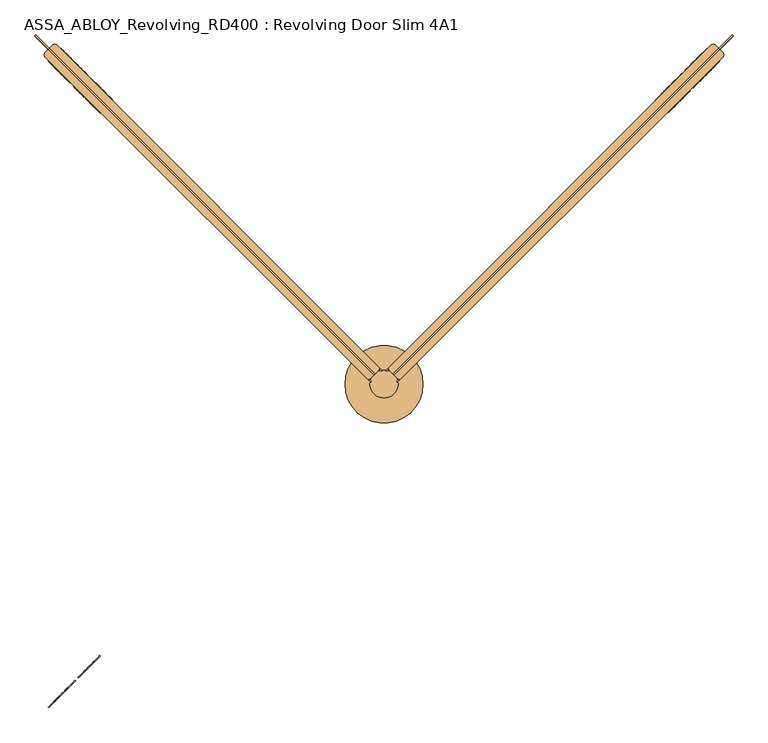
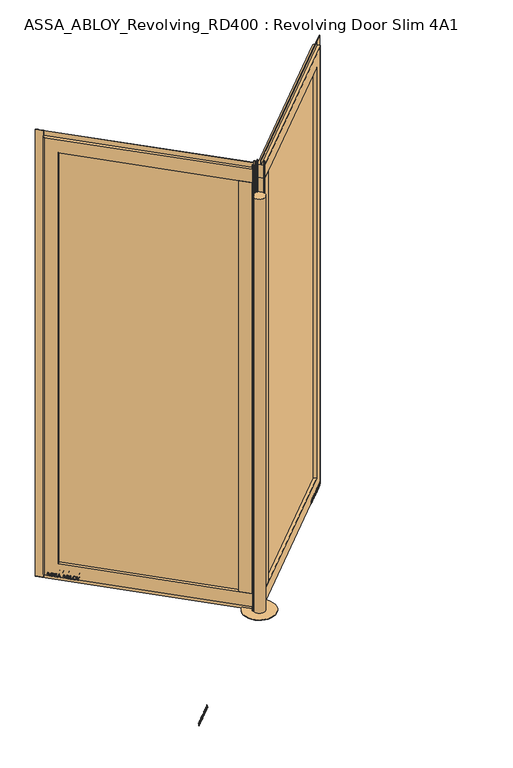
"""IFC4 building model written with IfcOpenShell, lengths in millimetres: door geometry, ASSA_ABLOY_Revolving_RD400 : Revolving Door Slim 4A1."""

from ifc_helpers import new_model, si_unit, point, frame, origin, origin_with_axes, origin_2d, place, context, project, spatial, polyline, circle_curve, trimmed, segment, composite_curve, outline, extrude, source, transform, mapped, element, save
from ifc_brep_helpers import plane_surface, cylinder_surface, advanced_brep


def assa_abloy_revolving_rd400_revolving_door_slim_4a1_cac119a0(model_context):
    return source(origin(), model_context, "Body", "SolidModel", [
        extrude(outline(polyline([(21.1919362, 0.0), (20.214336, -2.6529929), (14.2348715, -2.5853724), (11.2716326, -10.6269535), (15.8652681, -14.4554102), (14.8894584, -17.1035442), (-1.2354289, -3.3526834), (0.0, 0.0), (21.1919362, 0.0)]), holes=[polyline([(11.7626281, -2.5849675), (1.6611384, -2.5160752), (9.3848751, -9.0376682), (11.7626281, -2.5849675)])]), frame((-693.3803918, -665.0961205, 47.8848654), z_axis=(-0.707106781186544, 0.7071067811865511, 0.0), x_axis=(-0.2444906386007998, -0.2444906386007974, -0.9383222555567716)), (0.0, 0.0, 1.0), 2.0),
        extrude(outline(polyline([(3.5121291, -1e-07), (5.4926863, -1.2764388), (6.787432, -3.3659464), (7.2092232, -6.1919012), (6.5093631, -9.6341389), (4.824798, -13.2083906), (2.5145629, -16.1570791), (-0.6567353, -15.0446471), (2.4447822, -12.1320668), (4.3562345, -8.7636201), (4.8029446, -4.7524081), (2.9863484, -2.6252693), (0.9295188, -2.6144294), (-0.6628891, -4.2207409), (-1.8238571, -6.2006453), (-3.0893834, -8.4786224), (-6.2388816, -11.6844271), (-9.9996043, -11.7673438), (-13.1300796, -8.3561656), (-12.7977466, -2.5981572), (-11.0920114, 1.0208016), (-9.0699596, 3.711135), (-6.0403681, 2.6484111), (-8.71119, 0.0484616), (-10.6514742, -3.4882218), (-11.0208469, -7.1616301), (-9.3614355, -9.1814982), (-7.3063201, -9.1972246), (-5.5118808, -7.3434952), (-4.250422, -5.1162245), (-2.8187321, -2.6852579), (0.0, 0.0), (3.5121291, -1e-07)])), frame((-710.1598876, -681.8756164, 36.999973), z_axis=(-0.7071067811865441, 0.7071067811865509, 0.0), x_axis=(-0.23405736617652956, -0.23405736617652728, -0.9436282629706536)), (0.0, 0.0, 1.0), 2.0),
        extrude(outline(polyline([(3.5121291, 0.0), (5.4926863, -1.2764387), (6.787432, -3.3659463), (7.2092232, -6.1919012), (6.5093631, -9.6341389), (4.8247981, -13.2083906), (2.5145629, -16.1570791), (-0.6567353, -15.0446471), (2.4447823, -12.1320668), (4.3562346, -8.76362), (4.8029446, -4.7524081), (2.9863484, -2.6252692), (0.9295188, -2.6144293), (-0.6628891, -4.2207408), (-1.8238571, -6.2006452), (-3.0893834, -8.4786223), (-6.2388815, -11.6844271), (-9.9996043, -11.7673438), (-13.1300796, -8.3561655), (-12.7977466, -2.5981571), (-11.0920114, 1.0208017), (-9.0699596, 3.711135), (-6.0403681, 2.6484111), (-8.71119, 0.0484616), (-10.6514742, -3.4882217), (-11.0208469, -7.16163), (-9.3614355, -9.1814982), (-7.3063201, -9.1972245), (-5.5118807, -7.3434952), (-4.250422, -5.1162244), (-2.818732, -2.6852578), (0.0, 0.0), (3.5121291, 0.0)])), frame((-723.5175746, -695.2333034, 36.999973), z_axis=(-0.7071067811865441, 0.7071067811865509, 0.0), x_axis=(-0.23405736617652956, -0.23405736617652728, -0.9436282629706536)), (0.0, 0.0, 1.0), 2.0),
        extrude(outline(polyline([(21.1919362, 0.0), (20.214336, -2.6529929), (14.2348715, -2.5853724), (11.2716326, -10.6269535), (15.8652682, -14.4554102), (14.8894584, -17.1035442), (-1.2354289, -3.3526834), (0.0, 0.0), (21.1919362, 0.0)]), holes=[polyline([(11.7626281, -2.5849674), (1.6611384, -2.5160752), (9.3848751, -9.0376682), (11.7626281, -2.5849674)])]), frame((-733.4534529, -705.1691816, 47.8848654), z_axis=(-0.707106781186544, 0.7071067811865511, 0.0), x_axis=(-0.2444906386007998, -0.2444906386007974, -0.9383222555567716)), (0.0, 0.0, 1.0), 2.0),
        extrude(outline(polyline([(21.1919362, 0.0), (20.214336, -2.6529929), (14.2348715, -2.5853724), (11.2716326, -10.6269535), (15.8652682, -14.4554102), (14.8894584, -17.1035441), (-1.2354289, -3.3526834), (0.0, 0.0), (21.1919362, 0.0)]), holes=[polyline([(11.7626281, -2.5849674), (1.6611384, -2.5160752), (9.3848751, -9.0376682), (11.7626281, -2.5849674)])]), frame((-753.6071561, -725.3228849, 47.8848654), z_axis=(-0.707106781186544, 0.7071067811865511, 0.0), x_axis=(-0.2444906386007998, -0.2444906386007974, -0.9383222555567716)), (0.0, 0.0, 1.0), 2.0),
        extrude(outline(polyline([(3.6247797, 0.0), (5.9232413, -1.3859292), (7.2049821, -3.4426963), (7.5842828, -6.2202287), (6.8194358, -9.6251298), (4.5055294, -16.4081519), (-14.3144162, -9.9880648), (-12.3716711, -4.2930708), (-11.1479956, -1.1951534), (-9.8352432, 0.5920774), (-7.9241126, 1.6554025), (-5.7320771, 1.4410871), (-3.7068839, -0.0321766), (-2.8147562, -2.4211002), (0.0, 0.0), (3.6247797, 0.0)]), holes=[polyline([(-5.2214253, -2.9241786), (-9.3653605, -2.9303688), (-10.1960736, -5.1008932), (-11.2627443, -8.2277488), (-5.9304264, -10.0467735), (-4.7734732, -6.6552625), (-5.2214253, -2.9241786)]), polyline([(2.8765907, -2.5461079), (0.9746905, -2.291247), (-0.5832315, -3.1932876), (-1.5099769, -4.5787397), (-2.3470909, -6.7279308), (-3.734766, -10.7957837), (3.1658807, -13.1498156), (4.3362091, -9.7190963), (5.1175974, -6.8751817), (5.1102534, -4.8838351), (4.3679308, -3.4351117), (2.8765907, -2.5461079)])]), frame((-770.8498503, -742.565579, 37.561824), z_axis=(-0.707106781186544, 0.7071067811865511, 0.0), x_axis=(-0.22829861010658514, -0.2282986101065829, -0.9464457138403681)), (0.0, 0.0, 1.0), 2.0),
        extrude(outline(polyline([(2.319901, 0.0), (2.319901, -12.5937481), (-17.5649644, -12.5937481), (-17.5649644, -9.9424327), (0.0, -9.9424327), (0.0, 0.0), (2.319901, 0.0)])), frame((-783.1603064, -754.8760351, 30.319901), z_axis=(-0.707106781186544, 0.707106781186551, 0.0), x_axis=(0.0, 0.0, -1.0)), (0.0, 0.0, 1.0), 2.0),
        extrude(outline(polyline([(3.4755123, 0.0), (6.8343334, -1.6217536), (9.8417791, -4.8358203), (11.7934803, -8.7947163), (12.1283676, -12.475947), (10.9175762, -15.7640054), (8.2007387, -18.4707048), (4.7147757, -20.0502835), (1.2097864, -20.048671), (-2.1257686, -18.4422905), (-5.1361655, -15.2239686), (-7.0812776, -11.3109182), (-7.4345587, -7.5668216), (-6.1998493, -4.2905332), (-3.5095376, -1.5864763), (0.0, 0.0), (3.4755123, 0.0)]), holes=[polyline([(7.6631689, -6.3468237), (2.8864763, -2.494471), (-2.1788995, -3.4868579), (-4.8960978, -7.8921765), (-2.9575554, -13.7129652), (1.8513939, -17.5618518), (6.8871209, -16.5585186), (9.5892894, -12.1951337), (7.6631689, -6.3468237)])]), frame((-793.4513643, -765.1670931, 47.5197917), z_axis=(-0.7071067811865441, 0.707106781186551, 0.0), x_axis=(-0.5810361129353561, -0.5810361129353504, -0.5699070721880464)), (0.0, 0.0, 1.0), 2.0),
        extrude(outline(polyline([(3.1691504, 0.0), (-4.1219669, -11.1645234), (-4.1219669, -19.8848654), (-6.7732823, -19.8848654), (-6.7732823, -11.4441543), (-14.0643996, 0.0), (-10.921141, 0.0), (-5.4320895, -8.8964059), (0.0, 0.0), (3.1691504, 0.0)])), frame((-808.3377889, -780.0535176, 47.8848654), z_axis=(-0.707106781186544, 0.707106781186551, 0.0), x_axis=(-0.707106781186551, -0.707106781186544, 0.0)), (0.0, 0.0, 1.0), 2.0),
        advanced_brep(
        [(37.4766594, 9.1923882, 28.0), (9.1923882, 37.4766594, 28.0), (790.5453814, 818.8296526, 28.0), (801.8590899, 818.8296526, 28.0), (818.8296526, 801.8590899, 28.0), (818.8296526, 790.5453814, 28.0), (37.4766594, 9.1923882, 110.0), (766.5037508, 738.2194796, 110.0), (738.2194796, 766.5037508, 110.0), (9.1923882, 37.4766594, 110.0), (9.1923882, 37.4766594, 2689.0), (37.4766594, 9.1923882, 2689.0), (37.4766594, 9.1923882, 2771.0), (9.1923882, 37.4766594, 2771.0), (738.2194796, 766.5037508, 2689.0), (766.5037508, 738.2194796, 2689.0), (801.8590899, 818.8296526, 2771.0), (818.8296526, 801.8590899, 2771.0), (818.8296526, 790.5453814, 2771.0), (790.5453814, 818.8296526, 2771.0)],
        [
            (0, 1),
            (1, 2),
            (2, 3, circle_curve(frame((796.2022356, 813.1727984, 28.0), z_axis=(0.0, 0.0, -1.0), x_axis=(0.7071067811865462, -0.7071067811865488, 0.0)), 8.0)),
            (3, 4),
            (4, 5, circle_curve(frame((813.1727984, 796.2022356, 28.0), z_axis=(0.0, 0.0, -1.0), x_axis=(0.7071067811865462, -0.7071067811865488, 0.0)), 8.0)),
            (5, 0),
            (6, 7),
            (7, 8),
            (8, 9),
            (9, 6),
            (10, 11),
            (11, 12),
            (12, 13),
            (13, 10),
            (10, 14),
            (14, 15),
            (15, 11),
            (7, 15),
            (14, 8),
            (16, 17),
            (17, 4),
            (3, 16),
            (17, 18, circle_curve(frame((813.1727984, 796.2022356, 2771.0), z_axis=(0.0, 0.0, -1.0), x_axis=(0.7071067811865462, -0.7071067811865488, 0.0)), 8.0)),
            (18, 5),
            (19, 16, circle_curve(frame((796.2022356, 813.1727984, 2771.0), z_axis=(0.0, 0.0, -1.0), x_axis=(0.7071067811865462, -0.7071067811865488, 0.0)), 8.0)),
            (2, 19),
            (6, 0),
            (18, 12),
            (1, 9),
            (13, 19),
        ],
        [
            plane_surface(frame((766.5037508, 738.2194796, 28.0), z_axis=(0.0, 0.0, -1.0), x_axis=(-0.7071067811865488, -0.7071067811865462, 0.0))),
            plane_surface(frame((738.2194796, 766.5037508, 110.0), z_axis=(0.0, 0.0, 1.0), x_axis=(-0.7071067811865488, -0.7071067811865462, 0.0))),
            plane_surface(frame((23.3345238, 23.3345238, 2771.0), z_axis=(-0.7071067811865488, -0.7071067811865462, 0.0), x_axis=(0.7071067811865462, -0.7071067811865488, 0.0))),
            plane_surface(frame((9.1923882, 37.4766594, 2689.0), z_axis=(0.0, 0.0, -1.0), x_axis=(0.7071067811865488, 0.7071067811865462, 0.0))),
            plane_surface(frame((738.2194796, 766.5037508, 2771.0), z_axis=(-0.7071067811865488, -0.7071067811865462, 0.0), x_axis=(0.0, 0.0, -1.0))),
            plane_surface(frame((818.8296526, 801.8590899, 2771.0), z_axis=(0.7071067811865488, 0.7071067811865462, 0.0), x_axis=(0.0, 0.0, -1.0))),
            cylinder_surface(frame((813.1727984, 796.2022356, 2771.0), z_axis=(0.0, 0.0, 1.0), x_axis=(0.7071067811865462, -0.7071067811865488, 0.0)), 8.0),
            cylinder_surface(frame((796.2022356, 813.1727984, 2771.0), z_axis=(0.0, 0.0, 1.0), x_axis=(0.7071067811865462, -0.7071067811865488, 0.0)), 8.0),
            plane_surface(frame((766.5037508, 738.2194796, 110.0), z_axis=(0.7071067811865462, -0.7071067811865488, 0.0), x_axis=(-0.7071067811865488, -0.7071067811865462, 0.0))),
            plane_surface(frame((738.2194796, 766.5037508, 28.0), z_axis=(-0.7071067811865462, 0.7071067811865488, 0.0), x_axis=(-0.7071067811865488, -0.7071067811865462, 0.0))),
            plane_surface(frame((23.3345238, 23.3345238, 28.0), z_axis=(-0.7071067811865488, -0.7071067811865462, 0.0), x_axis=(0.7071067811865462, -0.7071067811865488, 0.0))),
            plane_surface(frame((810.3443712, 810.3443712, 2771.0), z_axis=(0.0, 0.0, 1.0), x_axis=(0.7071067811865462, -0.7071067811865488, 0.0))),
        ],
        [
            (0, [[1, 2, 3, 4, 5, 6]]),
            (1, [[7, 8, 9, 10]]),
            (2, [[11, 12, 13, 14]]),
            (3, [[-11, 15, 16, 17]]),
            (4, [[-8, 18, -16, 19]]),
            (5, [[20, 21, -4, 22]]),
            (6, [[23, 24, -5, -21]]),
            (7, [[25, -22, -3, 26]]),
            (8, [[-7, 27, -6, -24, 28, -12, -17, -18]]),
            (9, [[29, -9, -19, -15, -14, 30, -26, -2]]),
            (10, [[-27, -10, -29, -1]]),
            (11, [[-28, -23, -20, -25, -30, -13]]),
        ],
    ),
        extrude(outline(polyline([(11.3137085, 35.3553391), (6.363961, 30.4055916), (4.2426407, 32.5269119), (9.1923882, 37.4766594), (11.3137085, 35.3553391)])), origin_with_axes(), (0.0, 0.0, 1.0), 2800.0),
        extrude(outline(polyline([(58.6898628, 86.9741341), (86.9741341, 58.6898628), (37.4766594, 9.1923882), (9.1923882, 37.4766594), (58.6898628, 86.9741341)])), frame((0.0, 0.0, 110.0), z_axis=(0.0, 0.0, 1.0), x_axis=(1.0, 0.0, 0.0)), (0.0, 0.0, 1.0), 2579.0),
        extrude(outline(polyline([(844.1087176, 841.6338488), (811.5818056, 809.1069368), (809.1069368, 811.5818056), (841.6338488, 844.1087176), (844.1087176, 841.6338488)])), origin_with_axes(), (0.0, 0.0, 1.0), 2800.0),
        extrude(outline(polyline([(844.1087176, 841.6338488), (24.5719582, 22.0970894), (22.0970894, 24.5719582), (841.6338488, 844.1087176), (844.1087176, 841.6338488)])), frame((0.0, 0.0, 2770.0), z_axis=(0.0, 0.0, 1.0), x_axis=(1.0, 0.0, 0.0)), (0.0, 0.0, 1.0), 30.0),
        extrude(outline(polyline([(30.4055916, 6.363961), (35.3553391, 11.3137085), (37.4766594, 9.1923882), (32.5269119, 4.2426407), (30.4055916, 6.363961)])), origin_with_axes(), (0.0, 0.0, 1.0), 2800.0),
        extrude(outline(polyline([(753.5990496, 751.1241808), (74.0694329, 71.5945641), (71.5945641, 74.0694329), (751.1241808, 753.5990496), (753.5990496, 751.1241808)])), frame((0.0, 0.0, 110.0), z_axis=(0.0, 0.0, 1.0), x_axis=(1.0, 0.0, 0.0)), (0.0, 0.0, 1.0), 2579.0),
        extrude(outline(polyline([(844.1087176, 841.6338488), (24.5719582, 22.0970894), (22.0970894, 24.5719582), (841.6338488, 844.1087176), (844.1087176, 841.6338488)])), frame((0.0, 0.0, -2.0), z_axis=(0.0, 0.0, 1.0), x_axis=(1.0, 0.0, 0.0)), (0.0, 0.0, 1.0), 30.0),
        extrude(outline(polyline([(21.1919362, 0.0), (20.214336, -2.6529929), (14.2348715, -2.5853724), (11.2716326, -10.6269535), (15.8652682, -14.4554102), (14.8894584, -17.1035442), (-1.2354289, -3.3526834), (0.0, 0.0), (21.1919362, 0.0)]), holes=[polyline([(11.7626281, -2.5849674), (1.6611384, -2.5160752), (9.3848751, -9.0376682), (11.7626281, -2.5849674)])]), frame((774.1179884, 802.4022596, 47.8848654), z_axis=(-0.7071067811865371, 0.7071067811865581, 0.0), x_axis=(-0.24449063860080214, -0.24449063860079487, -0.9383222555567717)), (0.0, 0.0, 1.0), 2.0),
        extrude(outline(polyline([(3.5121291, 0.0), (5.4926863, -1.2764387), (6.787432, -3.3659463), (7.2092232, -6.1919012), (6.5093631, -9.6341389), (4.824798, -13.2083906), (2.5145629, -16.1570791), (-0.6567353, -15.0446471), (2.4447823, -12.1320668), (4.3562346, -8.76362), (4.8029446, -4.7524081), (2.9863484, -2.6252692), (0.9295188, -2.6144293), (-0.6628891, -4.2207408), (-1.8238571, -6.2006452), (-3.0893834, -8.4786223), (-6.2388815, -11.6844271), (-9.9996043, -11.7673438), (-13.1300796, -8.3561655), (-12.7977466, -2.5981571), (-11.0920114, 1.0208017), (-9.0699596, 3.711135), (-6.0403681, 2.6484111), (-8.71119, 0.0484616), (-10.6514742, -3.4882218), (-11.0208469, -7.16163), (-9.3614355, -9.1814982), (-7.3063201, -9.1972245), (-5.5118808, -7.3434952), (-4.250422, -5.1162245), (-2.8187321, -2.6852579), (0.0, 0.0), (3.5121291, 0.0)])), frame((757.3384925, 785.6227638, 36.999973), z_axis=(-0.707106781186537, 0.707106781186558, 0.0), x_axis=(-0.2340573661765319, -0.23405736617652495, -0.9436282629706536)), (0.0, 0.0, 1.0), 2.0),
        extrude(outline(polyline([(3.5121291, 0.0), (5.4926863, -1.2764387), (6.787432, -3.3659464), (7.2092232, -6.1919012), (6.5093631, -9.6341389), (4.824798, -13.2083906), (2.5145629, -16.1570791), (-0.6567353, -15.0446471), (2.4447822, -12.1320668), (4.3562345, -8.7636201), (4.8029446, -4.7524081), (2.9863484, -2.6252692), (0.9295188, -2.6144293), (-0.6628891, -4.2207408), (-1.8238571, -6.2006452), (-3.0893834, -8.4786223), (-6.2388816, -11.6844271), (-9.9996043, -11.7673438), (-13.1300796, -8.3561656), (-12.7977466, -2.5981571), (-11.0920114, 1.0208017), (-9.0699596, 3.711135), (-6.0403681, 2.6484111), (-8.71119, 0.0484616), (-10.6514742, -3.4882218), (-11.0208469, -7.1616301), (-9.3614355, -9.1814982), (-7.3063201, -9.1972245), (-5.5118808, -7.3434952), (-4.250422, -5.1162245), (-2.8187321, -2.6852579), (0.0, 0.0), (3.5121291, 0.0)])), frame((743.9808055, 772.2650767, 36.999973), z_axis=(-0.7071067811865371, 0.707106781186558, 0.0), x_axis=(-0.23405736617653797, -0.23405736617653103, -0.9436282629706506)), (0.0, 0.0, 1.0), 2.0),
        extrude(outline(polyline([(21.1919362, 0.0), (20.214336, -2.6529929), (14.2348715, -2.5853724), (11.2716326, -10.6269535), (15.8652682, -14.4554102), (14.8894584, -17.1035442), (-1.2354289, -3.3526834), (0.0, 0.0), (21.1919362, 0.0)]), holes=[polyline([(11.7626281, -2.5849675), (1.6611384, -2.5160752), (9.3848751, -9.0376682), (11.7626281, -2.5849675)])]), frame((734.0449272, 762.3291985, 47.8848654), z_axis=(-0.7071067811865371, 0.7071067811865581, 0.0), x_axis=(-0.24449063860080214, -0.24449063860079487, -0.9383222555567717)), (0.0, 0.0, 1.0), 2.0),
        extrude(outline(polyline([(21.1919362, 0.0), (20.214336, -2.6529929), (14.2348715, -2.5853724), (11.2716326, -10.6269535), (15.8652682, -14.4554102), (14.8894584, -17.1035442), (-1.2354289, -3.3526834), (0.0, 0.0), (21.1919362, 0.0)]), holes=[polyline([(11.7626281, -2.5849674), (1.6611384, -2.5160752), (9.3848751, -9.0376682), (11.7626281, -2.5849674)])]), frame((713.891224, 742.1754952, 47.8848654), z_axis=(-0.7071067811865371, 0.7071067811865581, 0.0), x_axis=(-0.24449063860080214, -0.24449063860079487, -0.9383222555567717)), (0.0, 0.0, 1.0), 2.0),
        extrude(outline(polyline([(3.6247797, 0.0), (5.9232413, -1.3859292), (7.2049821, -3.4426963), (7.5842828, -6.2202288), (6.8194358, -9.6251298), (4.5055294, -16.4081519), (-14.3144162, -9.9880648), (-12.3716711, -4.2930708), (-11.1479956, -1.1951535), (-9.8352432, 0.5920774), (-7.9241126, 1.6554025), (-5.7320771, 1.441087), (-3.7068839, -0.0321766), (-2.8147562, -2.4211002), (0.0, 0.0), (3.6247797, 0.0)]), holes=[polyline([(-5.2214253, -2.9241787), (-9.3653605, -2.9303688), (-10.1960736, -5.1008933), (-11.2627443, -8.2277488), (-5.9304264, -10.0467735), (-4.7734732, -6.6552625), (-5.2214253, -2.9241787)]), polyline([(2.8765907, -2.5461079), (0.9746905, -2.291247), (-0.5832315, -3.1932876), (-1.5099769, -4.5787397), (-2.3470909, -6.7279308), (-3.734766, -10.7957837), (3.1658807, -13.1498156), (4.3362091, -9.7190964), (5.1175974, -6.8751817), (5.1102534, -4.8838351), (4.3679308, -3.4351117), (2.8765907, -2.5461079)])]), frame((696.6485298, 724.9328011, 37.561824), z_axis=(-0.7071067811865371, 0.7071067811865581, 0.0), x_axis=(-0.22829861010658742, -0.22829861010658065, -0.9464457138403681)), (0.0, 0.0, 1.0), 2.0),
        extrude(outline(polyline([(2.319901, 0.0), (2.319901, -12.5937481), (-17.5649644, -12.5937481), (-17.5649644, -9.9424327), (0.0, -9.9424327), (0.0, 0.0), (2.319901, 0.0)])), frame((684.3380737, 712.622345, 30.319901), z_axis=(-0.707106781186537, 0.707106781186558, 0.0), x_axis=(0.0, 0.0, -1.0)), (0.0, 0.0, 1.0), 2.0),
        extrude(outline(polyline([(3.4755123, 0.0), (6.8343334, -1.6217536), (9.8417791, -4.8358203), (11.7934802, -8.7947164), (12.1283676, -12.475947), (10.9175762, -15.7640054), (8.2007386, -18.4707048), (4.7147757, -20.0502835), (1.2097864, -20.048671), (-2.1257686, -18.4422905), (-5.1361656, -15.2239687), (-7.0812776, -11.3109182), (-7.4345587, -7.5668216), (-6.1998493, -4.2905332), (-3.5095377, -1.5864764), (0.0, 0.0), (3.4755123, 0.0)]), holes=[polyline([(7.6631689, -6.3468237), (2.8864763, -2.494471), (-2.1788995, -3.4868579), (-4.8960978, -7.8921765), (-2.9575554, -13.7129653), (1.8513938, -17.5618518), (6.8871209, -16.5585186), (9.5892893, -12.1951337), (7.6631689, -6.3468237)])]), frame((674.0470158, 702.331287, 47.5197917), z_axis=(-0.7071067811865371, 0.7071067811865581, 0.0), x_axis=(-0.5810361129353604, -0.5810361129353432, -0.5699070721880493)), (0.0, 0.0, 1.0), 2.0),
        extrude(outline(polyline([(3.1691505, 0.0), (-4.1219669, -11.1645234), (-4.1219669, -19.8848654), (-6.7732822, -19.8848654), (-6.7732822, -11.4441543), (-14.0643996, 0.0), (-10.9211409, 0.0), (-5.4320895, -8.8964059), (0.0, 0.0), (3.1691505, 0.0)])), frame((659.1605913, 687.4448625, 47.8848654), z_axis=(-0.707106781186537, 0.707106781186558, 0.0), x_axis=(-0.707106781186558, -0.707106781186537, 0.0)), (0.0, 0.0, 1.0), 2.0),
        extrude(outline(polyline([(-21.1919362, 0.0), (0.0, 0.0), (1.2354289, -3.3526834), (-14.8894584, -17.1035441), (-15.8652682, -14.4554102), (-11.2716326, -10.6269534), (-14.2348715, -2.5853724), (-20.214336, -2.6529928), (-21.1919362, 0.0)]), holes=[polyline([(-11.7626281, -2.5849674), (-9.3848751, -9.0376682), (-1.6611384, -2.5160752), (-11.7626281, -2.5849674)])]), frame((694.7946053, 663.6819069, 47.8848654), z_axis=(-0.7071067811865417, 0.7071067811865535, 0.0), x_axis=(-0.24449063860080064, -0.24449063860079653, 0.9383222555567716)), (0.0, 0.0, 1.0), 2.0),
        extrude(outline(polyline([(-3.5121291, -1e-07), (0.0, 0.0), (2.8187321, -2.685258), (4.250422, -5.1162245), (5.5118808, -7.3434952), (7.3063201, -9.1972245), (9.3614355, -9.1814982), (11.0208469, -7.1616301), (10.6514742, -3.4882218), (8.71119, 0.0484616), (6.0403681, 2.6484111), (9.0699596, 3.711135), (11.0920114, 1.0208017), (12.7977466, -2.5981572), (13.1300796, -8.3561656), (9.9996043, -11.7673438), (6.2388816, -11.6844271), (3.0893834, -8.4786224), (1.8238571, -6.2006453), (0.6628891, -4.2207409), (-0.9295188, -2.6144294), (-2.9863484, -2.6252693), (-4.8029446, -4.7524081), (-4.3562345, -8.7636201), (-2.4447822, -12.1320668), (0.6567353, -15.0446471), (-2.5145629, -16.1570791), (-4.824798, -13.2083906), (-6.5093631, -9.6341389), (-7.2092232, -6.1919012), (-6.787432, -3.3659464), (-5.4926863, -1.2764388), (-3.5121291, -1e-07)])), frame((711.5741012, 680.4614028, 36.999973), z_axis=(-0.7071067811865417, 0.7071067811865535, 0.0), x_axis=(-0.23405736617653036, -0.23405736617652648, 0.9436282629706536)), (0.0, 0.0, 1.0), 2.0),
        extrude(outline(polyline([(-3.5121291, 0.0), (0.0, 0.0), (2.818732, -2.6852578), (4.250422, -5.1162245), (5.5118808, -7.3434952), (7.3063201, -9.1972245), (9.3614355, -9.1814982), (11.0208469, -7.16163), (10.6514742, -3.4882217), (8.71119, 0.0484616), (6.0403681, 2.6484111), (9.0699596, 3.711135), (11.0920114, 1.0208017), (12.7977466, -2.5981571), (13.1300796, -8.3561655), (9.9996043, -11.7673438), (6.2388815, -11.6844271), (3.0893834, -8.4786223), (1.8238571, -6.2006452), (0.6628891, -4.2207408), (-0.9295188, -2.6144293), (-2.9863484, -2.6252692), (-4.8029446, -4.7524081), (-4.3562346, -8.76362), (-2.4447823, -12.1320668), (0.6567353, -15.0446471), (-2.5145629, -16.1570791), (-4.8247981, -13.2083906), (-6.5093631, -9.6341389), (-7.2092232, -6.1919011), (-6.787432, -3.3659463), (-5.4926863, -1.2764387), (-3.5121291, 0.0)])), frame((724.9317882, 693.8190898, 36.999973), z_axis=(-0.7071067811865417, 0.7071067811865535, 0.0), x_axis=(-0.23405736617653036, -0.23405736617652648, 0.9436282629706536)), (0.0, 0.0, 1.0), 2.0),
        extrude(outline(polyline([(-21.1919362, 0.0), (0.0, 0.0), (1.2354289, -3.3526834), (-14.8894584, -17.1035442), (-15.8652682, -14.4554102), (-11.2716326, -10.6269535), (-14.2348715, -2.5853724), (-20.214336, -2.6529929), (-21.1919362, 0.0)]), holes=[polyline([(-11.7626281, -2.5849674), (-9.3848751, -9.0376682), (-1.6611384, -2.5160752), (-11.7626281, -2.5849674)])]), frame((734.8676664, 703.7549681, 47.8848654), z_axis=(-0.7071067811865417, 0.7071067811865535, 0.0), x_axis=(-0.24449063860080064, -0.24449063860079653, 0.9383222555567716)), (0.0, 0.0, 1.0), 2.0),
        extrude(outline(polyline([(-21.1919362, 0.0), (0.0, 0.0), (1.2354289, -3.3526834), (-14.8894584, -17.1035441), (-15.8652682, -14.4554102), (-11.2716326, -10.6269534), (-14.2348715, -2.5853724), (-20.214336, -2.6529929), (-21.1919362, 0.0)]), holes=[polyline([(-11.7626281, -2.5849674), (-9.3848751, -9.0376682), (-1.6611384, -2.5160752), (-11.7626281, -2.5849674)])]), frame((755.0213697, 723.9086713, 47.8848654), z_axis=(-0.7071067811865417, 0.7071067811865535, 0.0), x_axis=(-0.24449063860080064, -0.24449063860079653, 0.9383222555567716)), (0.0, 0.0, 1.0), 2.0),
        extrude(outline(polyline([(-3.6247797, -1e-07), (0.0, 0.0), (2.8147562, -2.4211003), (3.7068839, -0.0321767), (5.7320771, 1.441087), (7.9241126, 1.6554024), (9.8352433, 0.5920773), (11.1479956, -1.1951536), (12.3716711, -4.2930708), (14.3144162, -9.9880649), (-4.5055294, -16.408152), (-6.8194358, -9.6251299), (-7.5842828, -6.2202288), (-7.2049821, -3.4426963), (-5.9232413, -1.3859292), (-3.6247797, -1e-07)]), holes=[polyline([(5.2214253, -2.9241787), (4.7734732, -6.6552625), (5.9304264, -10.0467736), (11.2627444, -8.2277489), (10.1960736, -5.1008933), (9.3653605, -2.9303688), (5.2214253, -2.9241787)]), polyline([(-2.8765906, -2.5461079), (-4.3679308, -3.4351117), (-5.1102534, -4.8838351), (-5.1175974, -6.8751818), (-4.3362091, -9.7190964), (-3.1658807, -13.1498157), (3.7347661, -10.7957838), (2.347091, -6.7279309), (1.5099769, -4.5787397), (0.5832316, -3.1932877), (-0.9746905, -2.2912471), (-2.8765906, -2.5461079)])]), frame((772.2640639, 741.1513655, 37.561824), z_axis=(-0.7071067811865416, 0.7071067811865536, 0.0), x_axis=(-0.22829861010658595, -0.22829861010658212, 0.9464457138403681)), (0.0, 0.0, 1.0), 2.0),
        extrude(outline(polyline([(-2.319901, 0.0), (0.0, 0.0), (0.0, -9.9424327), (17.5649644, -9.9424327), (17.5649644, -12.5937481), (-2.319901, -12.5937481), (-2.319901, 0.0)])), frame((784.5745199, 753.4618216, 30.319901), z_axis=(-0.7071067811865416, 0.7071067811865535, 0.0), x_axis=(0.0, 0.0, 1.0)), (0.0, 0.0, 1.0), 2.0),
        extrude(outline(polyline([(-3.4755123, 0.0), (0.0, 0.0), (3.5095376, -1.5864763), (6.1998493, -4.2905332), (7.4345587, -7.5668216), (7.0812776, -11.3109182), (5.1361655, -15.2239686), (2.1257686, -18.4422905), (-1.2097864, -20.048671), (-4.7147757, -20.0502835), (-8.2007387, -18.4707048), (-10.9175762, -15.7640054), (-12.1283676, -12.475947), (-11.7934803, -8.7947163), (-9.8417791, -4.8358203), (-6.8343334, -1.6217536), (-3.4755123, 0.0)]), holes=[polyline([(-7.663169, -6.3468237), (-9.5892894, -12.1951337), (-6.887121, -16.5585186), (-1.8513938, -17.5618518), (2.9575554, -13.7129652), (4.8960978, -7.8921765), (2.1788994, -3.4868578), (-2.8864763, -2.494471), (-7.663169, -6.3468237)])]), frame((794.8655779, 763.7528795, 47.5197917), z_axis=(-0.7071067811865417, 0.7071067811865536, 0.0), x_axis=(-0.5810361129353581, -0.5810361129353484, 0.5699070721880464)), (0.0, 0.0, 1.0), 2.0),
        extrude(outline(polyline([(-3.1691504, 0.0), (0.0, 0.0), (5.4320895, -8.8964059), (10.921141, 0.0), (14.0643996, 0.0), (6.7732823, -11.4441543), (6.7732823, -19.8848654), (4.1219669, -19.8848654), (4.1219669, -11.1645234), (-3.1691504, 0.0)])), frame((809.7520024, 778.6393041, 47.8848654), z_axis=(-0.7071067811865416, 0.7071067811865535, 0.0), x_axis=(-0.7071067811865535, -0.7071067811865416, 0.0)), (0.0, 0.0, 1.0), 2.0),
        advanced_brep(
        [(-9.1923882, 37.4766594, 28.0), (-37.4766594, 9.1923882, 28.0), (-818.8296526, 790.5453814, 28.0), (-818.8296526, 801.8590899, 28.0), (-801.8590899, 818.8296526, 28.0), (-790.5453814, 818.8296526, 28.0), (-9.1923882, 37.4766594, 110.0), (-738.2194796, 766.5037508, 110.0), (-766.5037508, 738.2194796, 110.0), (-37.4766594, 9.1923882, 110.0), (-37.4766594, 9.1923882, 2689.0), (-9.1923882, 37.4766594, 2689.0), (-9.1923882, 37.4766594, 2771.0), (-37.4766594, 9.1923882, 2771.0), (-766.5037508, 738.2194796, 2689.0), (-738.2194796, 766.5037508, 2689.0), (-818.8296526, 801.8590899, 2771.0), (-801.8590899, 818.8296526, 2771.0), (-790.5453814, 818.8296526, 2771.0), (-818.8296526, 790.5453814, 2771.0)],
        [
            (0, 1),
            (1, 2),
            (2, 3, circle_curve(frame((-813.1727984, 796.2022356, 28.0), z_axis=(0.0, 0.0, -1.0), x_axis=(0.7071067811865476, 0.7071067811865475, 0.0)), 8.0)),
            (3, 4),
            (4, 5, circle_curve(frame((-796.2022356, 813.1727984, 28.0), z_axis=(0.0, 0.0, -1.0), x_axis=(0.7071067811865476, 0.7071067811865475, 0.0)), 8.0)),
            (5, 0),
            (6, 7),
            (7, 8),
            (8, 9),
            (9, 6),
            (10, 11),
            (11, 12),
            (12, 13),
            (13, 10),
            (10, 14),
            (14, 15),
            (15, 11),
            (7, 15),
            (14, 8),
            (16, 17),
            (17, 4),
            (3, 16),
            (17, 18, circle_curve(frame((-796.2022356, 813.1727984, 2771.0), z_axis=(0.0, 0.0, -1.0), x_axis=(0.7071067811865476, 0.7071067811865475, 0.0)), 8.0)),
            (18, 5),
            (19, 16, circle_curve(frame((-813.1727984, 796.2022356, 2771.0), z_axis=(0.0, 0.0, -1.0), x_axis=(0.7071067811865476, 0.7071067811865475, 0.0)), 8.0)),
            (2, 19),
            (6, 0),
            (18, 12),
            (1, 9),
            (13, 19),
        ],
        [
            plane_surface(frame((-738.2194796, 766.5037508, 28.0), z_axis=(0.0, 0.0, -1.0), x_axis=(0.7071067811865475, -0.7071067811865476, 0.0))),
            plane_surface(frame((-766.5037508, 738.2194796, 110.0), z_axis=(0.0, 0.0, 1.0), x_axis=(0.7071067811865475, -0.7071067811865476, 0.0))),
            plane_surface(frame((-23.3345238, 23.3345238, 2771.0), z_axis=(0.7071067811865475, -0.7071067811865476, 0.0), x_axis=(0.7071067811865476, 0.7071067811865475, 0.0))),
            plane_surface(frame((-37.4766594, 9.1923882, 2689.0), z_axis=(0.0, 0.0, -1.0), x_axis=(-0.7071067811865475, 0.7071067811865476, 0.0))),
            plane_surface(frame((-766.5037508, 738.2194796, 2771.0), z_axis=(0.7071067811865475, -0.7071067811865476, 0.0), x_axis=(0.0, 0.0, -1.0))),
            plane_surface(frame((-801.8590899, 818.8296526, 2771.0), z_axis=(-0.7071067811865475, 0.7071067811865476, 0.0), x_axis=(0.0, 0.0, -1.0))),
            cylinder_surface(frame((-796.2022356, 813.1727984, 2771.0), z_axis=(0.0, 0.0, 1.0), x_axis=(0.7071067811865476, 0.7071067811865475, 0.0)), 8.0),
            cylinder_surface(frame((-813.1727984, 796.2022356, 2771.0), z_axis=(0.0, 0.0, 1.0), x_axis=(0.7071067811865476, 0.7071067811865475, 0.0)), 8.0),
            plane_surface(frame((-738.2194796, 766.5037508, 110.0), z_axis=(0.7071067811865476, 0.7071067811865475, 0.0), x_axis=(0.7071067811865475, -0.7071067811865476, 0.0))),
            plane_surface(frame((-766.5037508, 738.2194796, 28.0), z_axis=(-0.7071067811865476, -0.7071067811865475, 0.0), x_axis=(0.7071067811865475, -0.7071067811865476, 0.0))),
            plane_surface(frame((-23.3345238, 23.3345238, 28.0), z_axis=(0.7071067811865475, -0.7071067811865476, 0.0), x_axis=(0.7071067811865476, 0.7071067811865475, 0.0))),
            plane_surface(frame((-810.3443712, 810.3443712, 2771.0), z_axis=(0.0, 0.0, 1.0), x_axis=(0.7071067811865476, 0.7071067811865475, 0.0))),
        ],
        [
            (0, [[1, 2, 3, 4, 5, 6]]),
            (1, [[7, 8, 9, 10]]),
            (2, [[11, 12, 13, 14]]),
            (3, [[-11, 15, 16, 17]]),
            (4, [[-8, 18, -16, 19]]),
            (5, [[20, 21, -4, 22]]),
            (6, [[23, 24, -5, -21]]),
            (7, [[25, -22, -3, 26]]),
            (8, [[-7, 27, -6, -24, 28, -12, -17, -18]]),
            (9, [[29, -9, -19, -15, -14, 30, -26, -2]]),
            (10, [[-27, -10, -29, -1]]),
            (11, [[-28, -23, -20, -25, -30, -13]]),
        ],
    ),
        extrude(outline(polyline([(-35.3553391, 11.3137085), (-30.4055916, 6.363961), (-32.5269119, 4.2426407), (-37.4766594, 9.1923882), (-35.3553391, 11.3137085)])), origin_with_axes(), (0.0, 0.0, 1.0), 2800.0),
        extrude(outline(polyline([(-86.9741341, 58.6898628), (-58.6898628, 86.9741341), (-9.1923882, 37.4766594), (-37.4766594, 9.1923882), (-86.9741341, 58.6898628)])), frame((0.0, 0.0, 110.0), z_axis=(0.0, 0.0, 1.0), x_axis=(1.0, 0.0, 0.0)), (0.0, 0.0, 1.0), 2579.0),
        extrude(outline(polyline([(-841.6338488, 844.1087176), (-809.1069368, 811.5818056), (-811.5818056, 809.1069368), (-844.1087176, 841.6338488), (-841.6338488, 844.1087176)])), origin_with_axes(), (0.0, 0.0, 1.0), 2800.0),
        extrude(outline(polyline([(-841.6338488, 844.1087176), (-22.0970894, 24.5719582), (-24.5719582, 22.0970894), (-844.1087176, 841.6338488), (-841.6338488, 844.1087176)])), frame((0.0, 0.0, 2770.0), z_axis=(0.0, 0.0, 1.0), x_axis=(1.0, 0.0, 0.0)), (0.0, 0.0, 1.0), 30.0),
        extrude(outline(polyline([(-6.363961, 30.4055916), (-11.3137085, 35.3553391), (-9.1923882, 37.4766594), (-4.2426407, 32.5269119), (-6.363961, 30.4055916)])), origin_with_axes(), (0.0, 0.0, 1.0), 2800.0),
        extrude(outline(polyline([(-751.1241808, 753.5990496), (-71.5945641, 74.0694329), (-74.0694329, 71.5945641), (-753.5990496, 751.1241808), (-751.1241808, 753.5990496)])), frame((0.0, 0.0, 110.0), z_axis=(0.0, 0.0, 1.0), x_axis=(1.0, 0.0, 0.0)), (0.0, 0.0, 1.0), 2579.0),
        extrude(outline(polyline([(-841.6338488, 844.1087176), (-22.0970894, 24.5719582), (-24.5719582, 22.0970894), (-844.1087176, 841.6338488), (-841.6338488, 844.1087176)])), frame((0.0, 0.0, -2.0), z_axis=(0.0, 0.0, 1.0), x_axis=(1.0, 0.0, 0.0)), (0.0, 0.0, 1.0), 30.0),
        extrude(outline(polyline([(-21.1919362, 0.0), (0.0, 0.0), (1.2354289, -3.3526834), (-14.8894584, -17.1035441), (-15.8652682, -14.4554102), (-11.2716326, -10.6269534), (-14.2348715, -2.5853724), (-20.214336, -2.6529929), (-21.1919362, 0.0)]), holes=[polyline([(-11.7626281, -2.5849674), (-9.3848751, -9.0376682), (-1.6611384, -2.5160752), (-11.7626281, -2.5849674)])]), frame((-803.8164732, 772.7037748, 47.8848654), z_axis=(0.7071067811865569, 0.7071067811865384, 0.0), x_axis=(-0.2444906386007953, 0.24449063860080172, 0.9383222555567717)), (0.0, 0.0, 1.0), 2.0),
        extrude(outline(polyline([(-3.5121291, -1e-07), (0.0, 0.0), (2.8187321, -2.6852579), (4.250422, -5.1162244), (5.5118807, -7.3434952), (7.3063201, -9.1972245), (9.3614355, -9.1814982), (11.0208469, -7.16163), (10.6514742, -3.4882218), (8.71119, 0.0484616), (6.0403681, 2.6484111), (9.0699596, 3.711135), (11.0920114, 1.0208017), (12.7977466, -2.5981571), (13.1300796, -8.3561656), (9.9996043, -11.7673438), (6.2388815, -11.6844271), (3.0893834, -8.4786223), (1.8238571, -6.2006452), (0.6628891, -4.2207408), (-0.9295188, -2.6144293), (-2.9863484, -2.6252692), (-4.8029446, -4.7524081), (-4.3562345, -8.7636201), (-2.4447823, -12.1320668), (0.6567353, -15.0446471), (-2.5145629, -16.1570791), (-4.824798, -13.2083906), (-6.5093631, -9.6341389), (-7.2092232, -6.1919012), (-6.787432, -3.3659463), (-5.4926863, -1.2764387), (-3.5121291, -1e-07)])), frame((-787.0369773, 755.924279, 36.999973), z_axis=(0.7071067811865569, 0.7071067811865384, 0.0), x_axis=(-0.23405736617652534, 0.23405736617653147, 0.9436282629706536)), (0.0, 0.0, 1.0), 2.0),
        extrude(outline(polyline([(-3.5121291, 0.0), (0.0, 0.0), (2.8187321, -2.6852579), (4.250422, -5.1162245), (5.5118808, -7.3434952), (7.3063201, -9.1972245), (9.3614355, -9.1814982), (11.0208469, -7.1616301), (10.6514742, -3.4882218), (8.71119, 0.0484616), (6.0403681, 2.6484111), (9.0699596, 3.711135), (11.0920114, 1.0208017), (12.7977466, -2.5981572), (13.1300796, -8.3561655), (9.9996043, -11.7673438), (6.2388816, -11.6844271), (3.0893834, -8.4786223), (1.8238571, -6.2006453), (0.6628891, -4.2207409), (-0.9295188, -2.6144293), (-2.9863484, -2.6252692), (-4.8029446, -4.7524081), (-4.3562346, -8.76362), (-2.4447822, -12.1320668), (0.6567353, -15.0446471), (-2.5145629, -16.1570791), (-4.8247981, -13.2083906), (-6.5093631, -9.6341389), (-7.2092232, -6.1919012), (-6.787432, -3.3659464), (-5.4926863, -1.2764388), (-3.5121291, 0.0)])), frame((-773.6792903, 742.5665919, 36.999973), z_axis=(0.7071067811865568, 0.7071067811865384, 0.0), x_axis=(-0.23405736617653142, 0.23405736617653758, 0.9436282629706506)), (0.0, 0.0, 1.0), 2.0),
        extrude(outline(polyline([(-21.1919363, 1e-07), (0.0, 0.0), (1.2354289, -3.3526834), (-14.8894584, -17.1035441), (-15.8652682, -14.4554102), (-11.2716326, -10.6269534), (-14.2348715, -2.5853724), (-20.214336, -2.6529928), (-21.1919363, 1e-07)]), holes=[polyline([(-11.7626281, -2.5849674), (-9.3848751, -9.0376682), (-1.6611384, -2.5160752), (-11.7626281, -2.5849674)])]), frame((-763.7434121, 732.6307137, 47.8848654), z_axis=(0.7071067811865569, 0.7071067811865384, 0.0), x_axis=(-0.2444906386007953, 0.24449063860080172, 0.9383222555567717)), (0.0, 0.0, 1.0), 2.0),
        extrude(outline(polyline([(-21.1919362, 0.0), (0.0, 0.0), (1.2354289, -3.3526834), (-14.8894584, -17.1035442), (-15.8652682, -14.4554102), (-11.2716326, -10.6269535), (-14.2348715, -2.5853724), (-20.214336, -2.6529929), (-21.1919362, 0.0)]), holes=[polyline([(-11.7626281, -2.5849674), (-9.3848751, -9.0376682), (-1.6611384, -2.5160752), (-11.7626281, -2.5849674)])]), frame((-743.5897088, 712.4770104, 47.8848654), z_axis=(0.7071067811865569, 0.7071067811865384, 0.0), x_axis=(-0.2444906386007953, 0.24449063860080172, 0.9383222555567717)), (0.0, 0.0, 1.0), 2.0),
        extrude(outline(polyline([(-3.6247797, 0.0), (0.0, 0.0), (2.8147562, -2.4211002), (3.7068839, -0.0321766), (5.7320771, 1.441087), (7.9241126, 1.6554025), (9.8352432, 0.5920774), (11.1479956, -1.1951535), (12.3716711, -4.2930708), (14.3144162, -9.9880648), (-4.5055294, -16.4081519), (-6.8194358, -9.6251298), (-7.5842828, -6.2202288), (-7.2049821, -3.4426963), (-5.9232413, -1.3859292), (-3.6247797, 0.0)]), holes=[polyline([(5.2214253, -2.9241787), (4.7734732, -6.6552625), (5.9304264, -10.0467735), (11.2627443, -8.2277488), (10.1960736, -5.1008932), (9.3653605, -2.9303688), (5.2214253, -2.9241787)]), polyline([(-2.8765907, -2.5461079), (-4.3679308, -3.4351117), (-5.1102534, -4.8838351), (-5.1175974, -6.8751817), (-4.3362091, -9.7190964), (-3.1658807, -13.1498156), (3.734766, -10.7957837), (2.347091, -6.7279309), (1.5099769, -4.5787397), (0.5832315, -3.1932876), (-0.9746905, -2.2912471), (-2.8765907, -2.5461079)])]), frame((-726.3470146, 695.2343163, 37.561824), z_axis=(0.7071067811865568, 0.7071067811865385, 0.0), x_axis=(-0.22829861010658103, 0.228298610106587, 0.9464457138403681)), (0.0, 0.0, 1.0), 2.0),
        extrude(outline(polyline([(-2.319901, 0.0), (0.0, 0.0), (0.0, -9.9424327), (17.5649644, -9.9424327), (17.5649644, -12.5937481), (-2.319901, -12.5937481), (-2.319901, 0.0)])), frame((-714.0365585, 682.9238602, 30.319901), z_axis=(0.7071067811865568, 0.7071067811865382, 0.0), x_axis=(0.0, 0.0, 1.0)), (0.0, 0.0, 1.0), 2.0),
        extrude(outline(polyline([(-3.4755122, 0.0), (0.0, 0.0), (3.5095377, -1.5864764), (6.1998493, -4.2905332), (7.4345587, -7.5668216), (7.0812776, -11.3109182), (5.1361655, -15.2239686), (2.1257687, -18.4422905), (-1.2097864, -20.048671), (-4.7147757, -20.0502836), (-8.2007386, -18.4707048), (-10.9175762, -15.7640054), (-12.1283676, -12.475947), (-11.7934802, -8.7947164), (-9.8417791, -4.8358203), (-6.8343334, -1.6217536), (-3.4755122, 0.0)]), holes=[polyline([(-7.6631689, -6.3468237), (-9.5892894, -12.1951337), (-6.8871209, -16.5585186), (-1.8513938, -17.5618518), (2.9575554, -13.7129652), (4.8960978, -7.8921765), (2.1788995, -3.4868579), (-2.8864763, -2.494471), (-7.6631689, -6.3468237)])]), frame((-703.7455006, 672.6328022, 47.5197917), z_axis=(0.7071067811865569, 0.7071067811865384, 0.0), x_axis=(-0.5810361129353442, 0.5810361129353594, 0.5699070721880493)), (0.0, 0.0, 1.0), 2.0),
        extrude(outline(polyline([(-3.1691505, 0.0), (0.0, 0.0), (5.4320895, -8.8964059), (10.9211409, 0.0), (14.0643996, 0.0), (6.7732822, -11.4441543), (6.7732822, -19.8848654), (4.1219668, -19.8848654), (4.1219668, -11.1645234), (-3.1691505, 0.0)])), frame((-688.8590761, 657.7463777, 47.8848654), z_axis=(0.7071067811865568, 0.7071067811865382, 0.0), x_axis=(-0.7071067811865382, 0.7071067811865568, 0.0)), (0.0, 0.0, 1.0), 2.0),
        extrude(outline(polyline([(21.1919362, 0.0), (20.214336, -2.6529929), (14.2348715, -2.5853724), (11.2716326, -10.6269535), (15.8652681, -14.4554102), (14.8894584, -17.1035442), (-1.2354289, -3.3526834), (0.0, 0.0), (21.1919362, 0.0)]), holes=[polyline([(11.7626281, -2.5849675), (1.6611384, -2.5160752), (9.3848751, -9.0376682), (11.7626281, -2.5849675)])]), frame((-665.0961205, 693.3803918, 47.8848654), z_axis=(0.7071067811865522, 0.7071067811865429, 0.0), x_axis=(-0.24449063860079695, 0.24449063860080023, -0.9383222555567716)), (0.0, 0.0, 1.0), 2.0),
        extrude(outline(polyline([(3.5121291, -1e-07), (5.4926863, -1.2764388), (6.787432, -3.3659464), (7.2092232, -6.1919012), (6.5093631, -9.6341389), (4.824798, -13.2083906), (2.5145629, -16.1570791), (-0.6567353, -15.0446471), (2.4447822, -12.1320668), (4.3562345, -8.7636201), (4.8029446, -4.7524081), (2.9863484, -2.6252693), (0.9295188, -2.6144294), (-0.6628891, -4.2207409), (-1.8238571, -6.2006453), (-3.0893834, -8.4786224), (-6.2388816, -11.6844271), (-9.9996043, -11.7673438), (-13.1300796, -8.3561656), (-12.7977466, -2.5981572), (-11.0920114, 1.0208016), (-9.0699596, 3.711135), (-6.0403681, 2.6484111), (-8.71119, 0.0484616), (-10.6514742, -3.4882218), (-11.0208469, -7.1616301), (-9.3614355, -9.1814982), (-7.3063201, -9.1972246), (-5.5118808, -7.3434952), (-4.250422, -5.1162245), (-2.8187321, -2.6852579), (0.0, 0.0), (3.5121291, -1e-07)])), frame((-681.8756164, 710.1598876, 36.999973), z_axis=(0.7071067811865522, 0.7071067811865429, 0.0), x_axis=(-0.23405736617652687, 0.23405736617652995, -0.9436282629706536)), (0.0, 0.0, 1.0), 2.0),
        extrude(outline(polyline([(3.5121291, 0.0), (5.4926863, -1.2764387), (6.787432, -3.3659463), (7.2092232, -6.1919012), (6.5093631, -9.6341389), (4.8247981, -13.2083906), (2.5145629, -16.1570791), (-0.6567353, -15.0446471), (2.4447823, -12.1320668), (4.3562346, -8.76362), (4.8029446, -4.7524081), (2.9863484, -2.6252692), (0.9295188, -2.6144293), (-0.6628891, -4.2207408), (-1.8238571, -6.2006452), (-3.0893834, -8.4786223), (-6.2388815, -11.6844271), (-9.9996043, -11.7673438), (-13.1300796, -8.3561655), (-12.7977466, -2.5981571), (-11.0920114, 1.0208017), (-9.0699596, 3.711135), (-6.0403681, 2.6484111), (-8.71119, 0.0484616), (-10.6514742, -3.4882217), (-11.0208469, -7.16163), (-9.3614355, -9.1814982), (-7.3063201, -9.1972245), (-5.5118807, -7.3434952), (-4.250422, -5.1162244), (-2.818732, -2.6852578), (0.0, 0.0), (3.5121291, 0.0)])), frame((-695.2333034, 723.5175746, 36.999973), z_axis=(0.7071067811865522, 0.7071067811865429, 0.0), x_axis=(-0.23405736617652687, 0.23405736617652995, -0.9436282629706536)), (0.0, 0.0, 1.0), 2.0),
        extrude(outline(polyline([(21.1919362, 0.0), (20.214336, -2.6529929), (14.2348715, -2.5853724), (11.2716326, -10.6269535), (15.8652682, -14.4554102), (14.8894584, -17.1035442), (-1.2354289, -3.3526834), (0.0, 0.0), (21.1919362, 0.0)]), holes=[polyline([(11.7626281, -2.5849674), (1.6611384, -2.5160752), (9.3848751, -9.0376682), (11.7626281, -2.5849674)])]), frame((-705.1691816, 733.4534529, 47.8848654), z_axis=(0.7071067811865522, 0.7071067811865429, 0.0), x_axis=(-0.24449063860079695, 0.24449063860080023, -0.9383222555567716)), (0.0, 0.0, 1.0), 2.0),
        extrude(outline(polyline([(21.1919362, 0.0), (20.214336, -2.6529929), (14.2348715, -2.5853724), (11.2716326, -10.6269535), (15.8652682, -14.4554102), (14.8894584, -17.1035441), (-1.2354289, -3.3526834), (0.0, 0.0), (21.1919362, 0.0)]), holes=[polyline([(11.7626281, -2.5849674), (1.6611384, -2.5160752), (9.3848751, -9.0376682), (11.7626281, -2.5849674)])]), frame((-725.3228849, 753.6071561, 47.8848654), z_axis=(0.7071067811865522, 0.7071067811865429, 0.0), x_axis=(-0.24449063860079695, 0.24449063860080023, -0.9383222555567716)), (0.0, 0.0, 1.0), 2.0),
        extrude(outline(polyline([(3.6247797, 0.0), (5.9232413, -1.3859292), (7.2049821, -3.4426963), (7.5842828, -6.2202287), (6.8194358, -9.6251298), (4.5055294, -16.4081519), (-14.3144162, -9.9880648), (-12.3716711, -4.2930708), (-11.1479956, -1.1951534), (-9.8352432, 0.5920774), (-7.9241126, 1.6554025), (-5.7320771, 1.4410871), (-3.7068839, -0.0321766), (-2.8147562, -2.4211002), (0.0, 0.0), (3.6247797, 0.0)]), holes=[polyline([(-5.2214253, -2.9241786), (-9.3653605, -2.9303688), (-10.1960736, -5.1008932), (-11.2627443, -8.2277488), (-5.9304264, -10.0467735), (-4.7734732, -6.6552625), (-5.2214253, -2.9241786)]), polyline([(2.8765907, -2.5461079), (0.9746905, -2.291247), (-0.5832315, -3.1932876), (-1.5099769, -4.5787397), (-2.3470909, -6.7279308), (-3.734766, -10.7957837), (3.1658807, -13.1498156), (4.3362091, -9.7190963), (5.1175974, -6.8751817), (5.1102534, -4.8838351), (4.3679308, -3.4351117), (2.8765907, -2.5461079)])]), frame((-742.565579, 770.8498503, 37.561824), z_axis=(0.7071067811865523, 0.7071067811865429, 0.0), x_axis=(-0.2282986101065825, 0.22829861010658553, -0.9464457138403681)), (0.0, 0.0, 1.0), 2.0),
        extrude(outline(polyline([(2.319901, 0.0), (2.319901, -12.5937481), (-17.5649644, -12.5937481), (-17.5649644, -9.9424327), (0.0, -9.9424327), (0.0, 0.0), (2.319901, 0.0)])), frame((-754.8760351, 783.1603064, 30.319901), z_axis=(0.7071067811865522, 0.7071067811865428, 0.0), x_axis=(0.0, 0.0, -1.0)), (0.0, 0.0, 1.0), 2.0),
        extrude(outline(polyline([(3.4755123, 0.0), (6.8343334, -1.6217536), (9.8417791, -4.8358203), (11.7934803, -8.7947163), (12.1283676, -12.475947), (10.9175762, -15.7640054), (8.2007387, -18.4707048), (4.7147757, -20.0502835), (1.2097864, -20.048671), (-2.1257686, -18.4422905), (-5.1361655, -15.2239686), (-7.0812776, -11.3109182), (-7.4345587, -7.5668216), (-6.1998493, -4.2905332), (-3.5095376, -1.5864763), (0.0, 0.0), (3.4755123, 0.0)]), holes=[polyline([(7.6631689, -6.3468237), (2.8864763, -2.494471), (-2.1788995, -3.4868579), (-4.8960978, -7.8921765), (-2.9575554, -13.7129652), (1.8513939, -17.5618518), (6.8871209, -16.5585186), (9.5892894, -12.1951337), (7.6631689, -6.3468237)])]), frame((-765.1670931, 793.4513643, 47.5197917), z_axis=(0.7071067811865522, 0.7071067811865429, 0.0), x_axis=(-0.5810361129353494, 0.5810361129353571, -0.5699070721880464)), (0.0, 0.0, 1.0), 2.0),
        extrude(outline(polyline([(3.1691504, 0.0), (-4.1219669, -11.1645234), (-4.1219669, -19.8848654), (-6.7732823, -19.8848654), (-6.7732823, -11.4441543), (-14.0643996, 0.0), (-10.921141, 0.0), (-5.4320895, -8.8964059), (0.0, 0.0), (3.1691504, 0.0)])), frame((-780.0535176, 808.3377889, 47.8848654), z_axis=(0.7071067811865522, 0.7071067811865428, 0.0), x_axis=(-0.7071067811865428, 0.7071067811865522, 0.0)), (0.0, 0.0, 1.0), 2.0),
        extrude(outline(composite_curve([segment(trimmed(circle_curve(origin_2d(), 34.0), [point((-34.0, 0.0))], [point((34.0, 0.0))], False, "CARTESIAN"), True, "CONTINUOUS"), segment(trimmed(circle_curve(origin_2d(), 34.0), [point((34.0, 0.0))], [point((-34.0, 0.0))], False, "CARTESIAN"), True, "CONTINUOUS")], self_intersect=False)), origin_with_axes(), (0.0, 0.0, 1.0), 2600.0),
        extrude(outline(composite_curve([segment(trimmed(circle_curve(origin_2d(), 94.0), [point((-94.0, 0.0))], [point((94.0, 0.0))], False, "CARTESIAN"), True, "CONTINUOUS"), segment(trimmed(circle_curve(origin_2d(), 94.0), [point((94.0, 0.0))], [point((-94.0, 0.0))], False, "CARTESIAN"), True, "CONTINUOUS")], self_intersect=False)), origin_with_axes(), (0.0, 0.0, 1.0), 3.0),
    ])


if __name__ == "__main__":
    model = new_model("IFC4")
    model_context = context("Model", 3, world=origin())
    ifc_project = project(units=[si_unit("LENGTHUNIT", "METRE", prefix="MILLI")], contexts=[model_context])
    site = spatial("IfcSite", under=ifc_project)
    building = spatial("IfcBuilding", under=site)
    placement = place(None, origin())
    assa_abloy_revolving_rd400_revolving_door_slim_4a1_shape = assa_abloy_revolving_rd400_revolving_door_slim_4a1_cac119a0(model_context)
    element("IfcDoor", 1, ObjectType="ASSA_ABLOY_Revolving_RD400 : Revolving Door Slim 4A1", at=placement, inside=building, context=model_context, shape_type="MappedRepresentation", body=[
        mapped(assa_abloy_revolving_rd400_revolving_door_slim_4a1_shape, transform((0.0, 0.0, 0.0), x_axis=(1.0, 0.0, 0.0), y_axis=(0.0, 1.0, 0.0), z_axis=(0.0, 0.0, 1.0))),
    ])
    save(model, "model.ifc")
